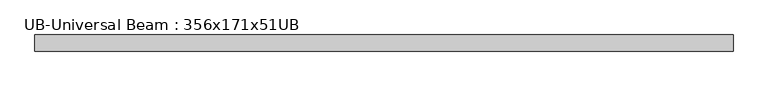
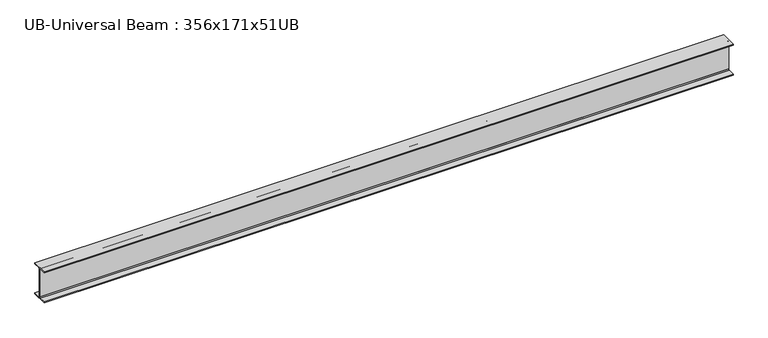
"""IFC4 building model written with IfcOpenShell, lengths in millimetres: beam geometry, UB-Universal Beam : 356x171x51UB."""

from ifc_helpers import new_model, si_unit, point, frame, frame_2d, origin, place, context, project, spatial, polyline, circle_curve, trimmed, segment, composite_curve, outline, extrude, source, transform, mapped, element, save


def ub_universal_beam_356x171x51ub_ff62a410(model_context):
    return source(origin(), model_context, "Body", "SweptSolid", [
        extrude(outline(composite_curve([segment(polyline([(85.75, -166.0), (85.75, -177.5), (-85.75, -177.5), (-85.75, -166.0), (-13.9, -166.0)]), True, "CONTINUOUS"), segment(trimmed(circle_curve(frame_2d((-13.9, -155.8)), 10.2), [point((-13.9, -166.0))], [point((-3.7, -155.8))], True, "CARTESIAN"), True, "CONTINUOUS"), segment(polyline([(-3.7, -155.8), (-3.7, 155.8)]), True, "CONTINUOUS"), segment(trimmed(circle_curve(frame_2d((-13.9, 155.8)), 10.2), [point((-3.7, 155.8))], [point((-13.9, 166.0))], True, "CARTESIAN"), True, "CONTINUOUS"), segment(polyline([(-13.9, 166.0), (-85.75, 166.0), (-85.75, 177.5), (85.75, 177.5), (85.75, 166.0), (13.9, 166.0)]), True, "CONTINUOUS"), segment(trimmed(circle_curve(frame_2d((13.9, 155.8)), 10.2), [point((13.9, 166.0))], [point((3.7, 155.8))], True, "CARTESIAN"), True, "CONTINUOUS"), segment(polyline([(3.7, 155.8), (3.7, -155.8)]), True, "CONTINUOUS"), segment(trimmed(circle_curve(frame_2d((13.9, -155.8)), 10.2), [point((3.7, -155.8))], [point((13.9, -166.0))], True, "CARTESIAN"), True, "CONTINUOUS"), segment(polyline([(13.9, -166.0), (85.75, -166.0)]), True, "CONTINUOUS")], self_intersect=False)), frame((-3787.2999994, 0.0, 0.0), z_axis=(1.0, 0.0, 0.0), x_axis=(0.0, 1.0, 0.0)), (0.0, 0.0, 1.0), 7429.5999994),
    ])


if __name__ == "__main__":
    model = new_model("IFC4")
    model_context = context("Model", 3, world=origin())
    ifc_project = project(units=[si_unit("LENGTHUNIT", "METRE", prefix="MILLI")], contexts=[model_context])
    site = spatial("IfcSite", under=ifc_project)
    building = spatial("IfcBuilding", under=site)
    placement = place(None, origin())
    ub_universal_beam_356x171x51ub_shape = ub_universal_beam_356x171x51ub_ff62a410(model_context)
    element("IfcBeam", 1, ObjectType="UB-Universal Beam : 356x171x51UB", at=placement, inside=building, context=model_context, shape_type="MappedRepresentation", body=[
        mapped(ub_universal_beam_356x171x51ub_shape, transform((0.0, 0.0, 0.0), x_axis=(1.0, 0.0, 0.0), y_axis=(0.0, 1.0, 0.0), z_axis=(0.0, 0.0, 1.0))),
    ])
    save(model, "model.ifc")
